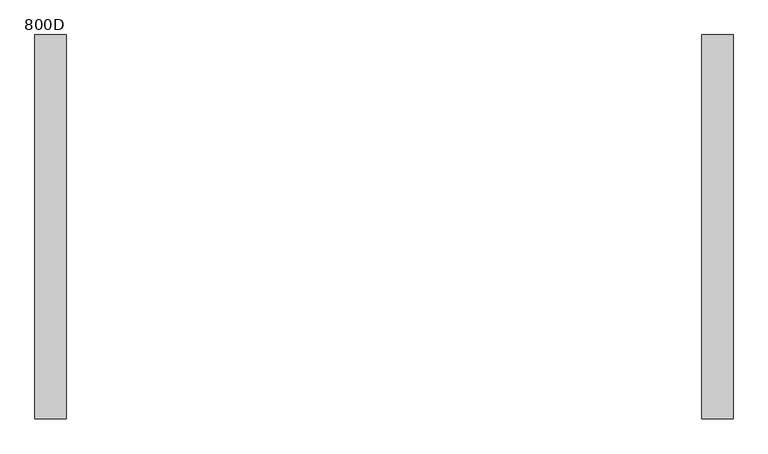
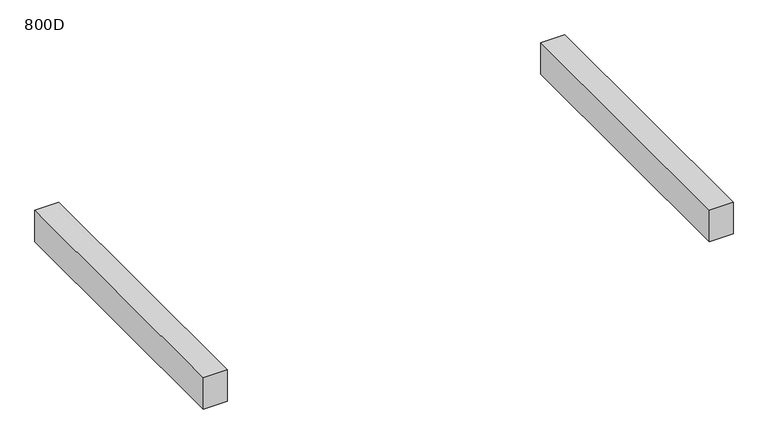
"""IFC4 building model written with IfcOpenShell, lengths in millimetres: furniture geometry, 800D."""

from ifc_helpers import new_model, si_unit, frame, origin, place, context, project, spatial, polyline, outline, extrude, source, transform, mapped, element, save


def furniture_800d_a4020ba7(model_context):
    return source(origin(), model_context, "Body", "SweptSolid", [
        extrude(outline(polyline([(-609.9999968, 369.0), (-609.9999968, -369.0), (-670.0, -369.0), (-670.0, 369.0), (-609.9999968, 369.0)])), frame((0.0, 0.0, 435.0), z_axis=(0.0, 0.0, 1.0), x_axis=(1.0, 0.0, 0.0)), (0.0, 0.0, 1.0), 84.0),
        extrude(outline(polyline([(670.0, 369.0), (670.0, -369.0), (609.9999968, -369.0), (609.9999968, 369.0), (670.0, 369.0)])), frame((0.0, 0.0, 435.0), z_axis=(0.0, 0.0, 1.0), x_axis=(1.0, 0.0, 0.0)), (0.0, 0.0, 1.0), 84.0),
    ])


if __name__ == "__main__":
    model = new_model("IFC4")
    model_context = context("Model", 3, world=origin())
    ifc_project = project(units=[si_unit("LENGTHUNIT", "METRE", prefix="MILLI")], contexts=[model_context])
    site = spatial("IfcSite", under=ifc_project)
    building = spatial("IfcBuilding", under=site)
    placement = place(None, origin())
    furniture_800d_shape = furniture_800d_a4020ba7(model_context)
    element("IfcFurniture", 1, ObjectType="800D", at=placement, inside=building, context=model_context, shape_type="MappedRepresentation", body=[
        mapped(furniture_800d_shape, transform((0.0, 0.0, 0.0), x_axis=(1.0, 0.0, 0.0), y_axis=(0.0, 1.0, 0.0), z_axis=(0.0, 0.0, 1.0))),
    ])
    save(model, "model.ifc")
